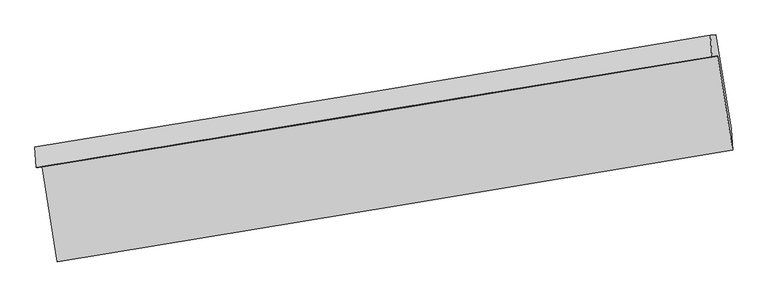
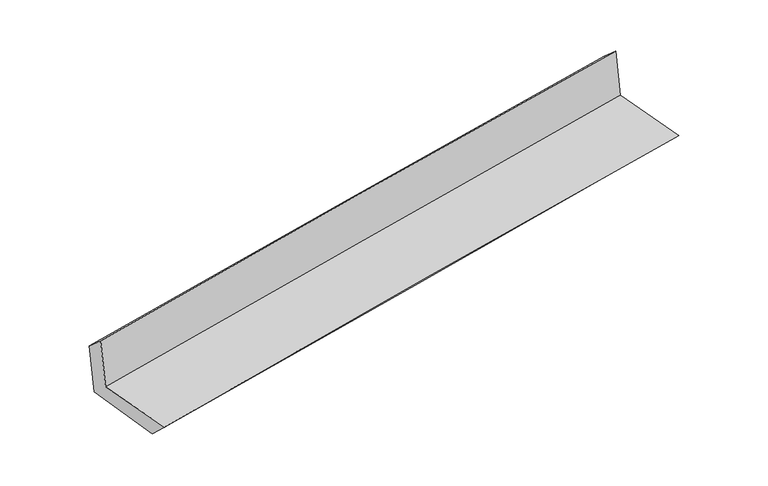
"""IFC4 building model written with IfcOpenShell, lengths in millimetres: proxy geometry."""

from ifc_helpers import new_model, si_unit, frame, origin, place, context, project, spatial, source, transform, mapped, element, save
from ifc_brep_helpers import plane_surface, spline_curve, spline_surface, advanced_brep


def generic_models_9cf95724(model_context):
    return source(origin(), model_context, "Body", "AdvancedBrep", [
        advanced_brep(
        [(-2365.2810203, -1890.3579593, 1671.729983), (-2261.0710704, -2546.3627202, 1681.7511971), (2416.0307863, -1772.9243131, 2113.3934966), (2312.3004328, -1121.1655664, 2106.2836524), (-2406.3947426, -1892.3724348, 2086.8992702), (2272.8821788, -1123.0969679, 2504.3319798), (-2416.8082839, -1749.7578399, 1962.0682773), (2262.0418456, -975.0448874, 2375.2418062), (-2375.7299355, -1747.7450977, 1547.2561983), (2299.999091, -973.1850719, 1991.9468473), (-2271.1669515, -2389.0409662, 1530.1044873), (2406.473597, -1627.673923, 1975.9452184)],
        [
            (0, 1),
            (1, 2, spline_curve(3, [(-2261.0710704, -2546.3627202, 1681.7511971), (-1478.965694218, -2417.883900028, 1762.698763826), (-696.528397336, -2288.920599349, 1839.274535234), (862.511043564, -2031.099785412, 1983.083008772), (1639.10769888, -1902.250283764, 2050.388004022), (2416.0307863, -1772.9243131, 2113.3934966)], [4, 2, 4], [0.0, 7.841412703918428, 15.617721548508197])),
            (2, 3),
            (3, 0, spline_curve(3, [(2312.3004328, -1121.1655664, 2106.2836524), (1535.824806892, -1248.359659143, 2035.221526967), (759.413180991, -1375.787887524, 1963.630827465), (-799.781712983, -1632.181415067, 1818.788491996), (-1582.56390467, -1761.150650978, 1745.527968398), (-2365.2810203, -1890.3579593, 1671.729983)], [4, 2, 4], [0.0, 7.776308844589769, 15.617721548508197])),
            (4, 0),
            (3, 5),
            (5, 4, spline_curve(3, [(2272.8821788, -1123.0969679, 2504.3319798), (1495.534645303, -1250.333781984, 2442.074437159), (718.54513492, -1377.790325485, 2376.319256616), (-841.219858623, -1634.211786348, 2237.233830232), (-1623.989322137, -1763.180398741, 2163.844774162), (-2406.3947426, -1892.3724348, 2086.8992702)], [4, 2, 4], [0.0, 7.776444288083603, 15.617993569439275])),
            (6, 4),
            (5, 7),
            (7, 6, spline_curve(3, [(2262.0418456, -975.0448874, 2375.2418062), (1485.435573474, -1108.273678856, 2315.14729736), (708.853508968, -1239.188053889, 2250.830120689), (-850.763608034, -1497.464620115, 2113.176612236), (-1633.798253179, -1624.78789582, 2039.769278921), (-2416.8082839, -1749.7578399, 1962.0682773)], [4, 2, 4], [0.0, 7.776737701342924, 15.618582852436425])),
            (8, 6),
            (7, 9),
            (9, 8, spline_curve(3, [(2299.999091, -973.1850719, 1991.9468473), (1524.587402602, -1106.355331648, 1919.789346303), (748.863047862, -1237.227680972, 1846.810955581), (-809.70803705, -1495.452993778, 1698.594542136), (-1592.560024397, -1622.767319809, 1623.342716209), (-2375.7299355, -1747.7450977, 1547.2561983)], [4, 2, 4], [0.0, 7.776533142553343, 15.61817202227525])),
            (10, 8),
            (9, 11),
            (11, 10, spline_curve(3, [(2406.473597, -1627.673923, 1975.9452184), (1630.613498908, -1757.538781235, 1903.122991014), (854.506036434, -1885.661271825, 1829.715808689), (-704.703320717, -2139.479582947, 1681.112067217), (-1487.809374258, -2265.146106478, 1605.905672325), (-2271.1669515, -2389.0409662, 1530.1044873)], [4, 2, 4], [0.0, 7.7761884147656515, 15.617479680612156])),
            (1, 10),
            (11, 2),
        ],
        [
            spline_surface(3, 3, [[(-2365.2810203, -1890.3579593, 1671.729983), (-1582.563904741, -1761.150650856, 1745.5279684), (-799.781712901, -1632.18141504, 1818.788491945), (759.41318091, -1375.78788755, 1963.630827516), (1535.824806777, -1248.359659077, 2035.221527076), (2312.3004328, -1121.1655664, 2106.2836524)], [(-2330.544370321, -2109.026212936, 1675.070387721), (-1548.031167903, -1980.061733926, 1751.251566887), (-765.363941042, -1851.094476483, 1825.617173005), (793.779135144, -1594.225186873, 1970.114887921), (1570.252437499, -1466.323200668, 2040.277019357), (2346.877217309, -1338.41848196, 2108.653600472)], [(-2295.807720379, -2327.694466564, 1678.410792379), (-1513.498431103, -2198.972816988, 1756.975165311), (-730.946169213, -2070.007537863, 1832.44585414), (828.145089348, -1812.662486132, 1976.5989484), (1604.680068196, -1684.28674228, 2045.332511623), (2381.454001791, -1555.67139754, 2111.023548528)], [(-2261.0710704, -2546.3627202, 1681.7511971), (-1478.965694265, -2417.883900059, 1762.698763798), (-696.528397354, -2288.920599306, 1839.2745352), (862.511043582, -2031.099785454, 1983.083008805), (1639.107698918, -1902.250283871, 2050.388003905), (2416.0307863, -1772.9243131, 2113.3934966)]], [4, 4], [4, 2, 4], [0.0, 2.1797756478112555], [0.0, 7.841412703918428, 15.617721548508197]),
            spline_surface(3, 3, [[(-2406.3947426, -1892.3724348, 2086.8992702), (-1623.989322068, -1763.180398677, 2163.844774121), (-841.219858703, -1634.211786437, 2237.233830234), (718.545135, -1377.790325397, 2376.319256614), (1495.534645402, -1250.333781983, 2442.074437055), (2272.8821788, -1123.0969679, 2504.3319798)], [(-2392.690168492, -1891.700942983, 1948.509507777), (-1610.180849618, -1762.503816086, 2024.405838857), (-827.407143449, -1633.534995959, 2097.752050832), (732.167816957, -1377.122846102, 2238.756446942), (1508.964699182, -1249.675741014, 2306.456800396), (2286.021596788, -1122.4531674, 2371.649204001)], [(-2378.985594408, -1891.029451117, 1810.119745423), (-1596.372377191, -1761.827233447, 1884.966903664), (-813.594428156, -1632.858205519, 1958.270271347), (745.790498953, -1376.455366845, 2101.193637188), (1522.394752997, -1249.017700046, 2170.839163734), (2299.161014812, -1121.8093669, 2238.966428199)], [(-2365.2810203, -1890.3579593, 1671.729983), (-1582.563904741, -1761.150650856, 1745.5279684), (-799.781712901, -1632.18141504, 1818.788491945), (759.41318091, -1375.78788755, 1963.630827516), (1535.824806777, -1248.359659077, 2035.221527076), (2312.3004328, -1121.1655664, 2106.2836524)]], [4, 4], [4, 2, 4], [0.0, 1.3701719505801777], [0.0, 7.841549281355672, 15.617993569439275]),
            spline_surface(3, 3, [[(-2416.8082839, -1749.7578399, 1962.0682773), (-1633.798253159, -1624.787895785, 2039.76927896), (-850.763607971, -1497.464619992, 2113.176612129), (708.853508905, -1239.188054012, 2250.830120795), (1485.435573524, -1108.273678926, 2315.14729725), (2262.0418456, -975.0448874, 2375.2418062)], [(-2413.337103478, -1797.296038205, 2003.678608286), (-1630.528609474, -1670.918730087, 2081.127777366), (-847.582358215, -1543.047008802, 2154.529018144), (712.084050937, -1285.388811135, 2292.659832715), (1488.801930809, -1155.627046604, 2357.456343857), (2265.655289992, -1024.395580892, 2418.271864071)], [(-2409.865923022, -1844.834236495, 2045.288939214), (-1627.258965754, -1717.049564375, 2122.486275714), (-844.401108459, -1588.629397627, 2195.881424218), (715.314592968, -1331.589568273, 2334.489544694), (1492.168288117, -1202.980414305, 2399.765390449), (2269.268734408, -1073.746274408, 2461.301921929)], [(-2406.3947426, -1892.3724348, 2086.8992702), (-1623.989322068, -1763.180398677, 2163.844774121), (-841.219858703, -1634.211786437, 2237.233830234), (718.545135, -1377.790325397, 2376.319256614), (1495.534645402, -1250.333781983, 2442.074437055), (2272.8821788, -1123.0969679, 2504.3319798)]], [4, 4], [4, 2, 4], [0.0, 0.6103736977190461], [0.0, 7.841845151093501, 15.618582852436425]),
            spline_surface(3, 3, [[(-2375.7299355, -1747.7450977, 1547.2561983), (-1592.56002435, -1622.767319822, 1623.342716238), (-809.708037051, -1495.452993815, 1698.594542006), (748.863047862, -1237.227680935, 1846.81095571), (1524.587402731, -1106.355331637, 1919.789346254), (2299.999091, -973.1850719, 1991.9468473)], [(-2389.422718302, -1748.416011771, 1685.526891285), (-1606.306100623, -1623.440845147, 1762.151570463), (-823.393227354, -1496.123535872, 1836.788565398), (735.52653488, -1237.881138625, 1981.484010756), (1511.536793006, -1106.994780741, 2051.575329898), (2287.346675878, -973.805010408, 2119.711833579)], [(-2403.115501098, -1749.086925829, 1823.797584315), (-1620.052176887, -1624.114370459, 1900.960424734), (-837.078417667, -1496.794077935, 1974.982588736), (722.190021888, -1238.534596322, 2116.157065749), (1498.486183249, -1107.634229822, 2183.361313606), (2274.694260722, -974.424948892, 2247.476819921)], [(-2416.8082839, -1749.7578399, 1962.0682773), (-1633.798253159, -1624.787895785, 2039.76927896), (-850.763607971, -1497.464619992, 2113.176612129), (708.853508905, -1239.188054012, 2250.830120795), (1485.435573524, -1108.273678926, 2315.14729725), (2262.0418456, -975.0448874, 2375.2418062)]], [4, 4], [4, 2, 4], [0.0, 1.3495785105561549], [0.0, 7.8416388797219065, 15.61817202227525]),
            spline_surface(3, 3, [[(-2271.1669515, -2389.0409662, 1530.1044873), (-1487.809374175, -2265.14610651, 1605.905672408), (-704.703320601, -2139.479582893, 1681.112067219), (854.506036319, -1885.661271879, 1829.715808687), (1630.613498908, -1757.538781137, 1903.122990898), (2406.473597, -1627.673923, 1975.9452184)], [(-2306.021279511, -2175.275676679, 1535.821724318), (-1522.726257578, -2051.01984426, 1611.718020369), (-739.704892759, -1924.804053208, 1686.939558787), (819.291706826, -1669.516741572, 1835.414191), (1595.271466835, -1540.477631322, 1908.678442706), (2370.982094986, -1409.510972652, 1981.279094723)], [(-2340.875607489, -1961.510387221, 1541.538961282), (-1557.643140948, -1836.893582072, 1617.530368277), (-774.706464893, -1710.1285235, 1692.767050438), (784.077377355, -1453.372211242, 1841.112573396), (1559.929434804, -1323.416481451, 1914.233894446), (2335.490593014, -1191.348022248, 1986.612970977)], [(-2375.7299355, -1747.7450977, 1547.2561983), (-1592.56002435, -1622.767319822, 1623.342716238), (-809.708037051, -1495.452993815, 1698.594542006), (748.863047862, -1237.227680935, 1846.81095571), (1524.587402731, -1106.355331637, 1919.789346254), (2299.999091, -973.1850719, 1991.9468473)]], [4, 4], [4, 2, 4], [0.0, 2.1488402730686724], [0.0, 7.841291265846505, 15.617479680612156]),
            spline_surface(3, 3, [[(-2261.0710704, -2546.3627202, 1681.7511971), (-1478.965694265, -2417.883900059, 1762.698763798), (-696.528397354, -2288.920599306, 1839.2745352), (862.511043582, -2031.099785454, 1983.083008805), (1639.107698918, -1902.250283871, 2050.388003905), (2416.0307863, -1772.9243131, 2113.3934966)], [(-2264.436364095, -2493.922135526, 1631.202293814), (-1481.913587563, -2366.971302202, 1710.434399982), (-699.253371763, -2239.10692716, 1786.553712566), (859.842707834, -1982.62028092, 1931.960608792), (1636.276298929, -1854.013116281, 2001.299666223), (2412.845056547, -1724.507516388, 2067.577403854)], [(-2267.801657805, -2441.481550874, 1580.653390586), (-1484.861480876, -2316.058704367, 1658.170036224), (-701.978346192, -2189.293255039, 1733.832889853), (857.174372067, -1934.140776412, 1880.8382087), (1633.444898898, -1805.775948727, 1952.21132858), (2409.659326753, -1676.090719712, 2021.761311146)], [(-2271.1669515, -2389.0409662, 1530.1044873), (-1487.809374175, -2265.14610651, 1605.905672408), (-704.703320601, -2139.479582893, 1681.112067219), (854.506036319, -1885.661271879, 1829.715808687), (1630.613498908, -1757.538781137, 1903.122990898), (2406.473597, -1627.673923, 1975.9452184)]], [4, 4], [4, 2, 4], [0.0, 0.7042560627411965], [0.0, 7.841279998455939, 15.617457239379299]),
            plane_surface(frame((2328.2879886, -1265.5151216, 2177.8571668), z_axis=(0.9826429811266815, 0.15746193699278238, 0.09807400288022003), x_axis=(-0.09854563491050727, -0.004828503749948872, 0.9951208184897057))),
            plane_surface(frame((-2349.4086674, -2035.939503, 1746.6349022), z_axis=(-0.9826221013389143, -0.1575930730855582, -0.09807257147514152), x_axis=(-0.156870416671685, 0.9875039786886505, -0.015085239386150112))),
        ],
        [
            (0, [[1, 2, 3, 4]]),
            (1, [[5, -4, 6, 7]]),
            (2, [[8, -7, 9, 10]]),
            (3, [[11, -10, 12, 13]]),
            (4, [[14, -13, 15, 16]]),
            (5, [[17, -16, 18, -2]]),
            (6, [[-12, -9, -6, -3, -18, -15]]),
            (7, [[-1, -5, -8, -11, -14, -17]]),
        ],
    ),
    ])


if __name__ == "__main__":
    model = new_model("IFC4")
    model_context = context("Model", 3, world=origin())
    ifc_project = project(units=[si_unit("LENGTHUNIT", "METRE", prefix="MILLI")], contexts=[model_context])
    site = spatial("IfcSite", under=ifc_project)
    building = spatial("IfcBuilding", under=site)
    placement = place(None, origin())
    generic_models_shape = generic_models_9cf95724(model_context)
    element("IfcBuildingElementProxy", 1, Name="Generic Models", at=placement, inside=building, context=model_context, shape_type="MappedRepresentation", body=[
        mapped(generic_models_shape, transform((0.0, 0.0, 0.0), x_axis=(1.0, 0.0, 0.0), y_axis=(0.0, 1.0, 0.0), z_axis=(0.0, 0.0, 1.0))),
    ])
    save(model, "model.ifc")
